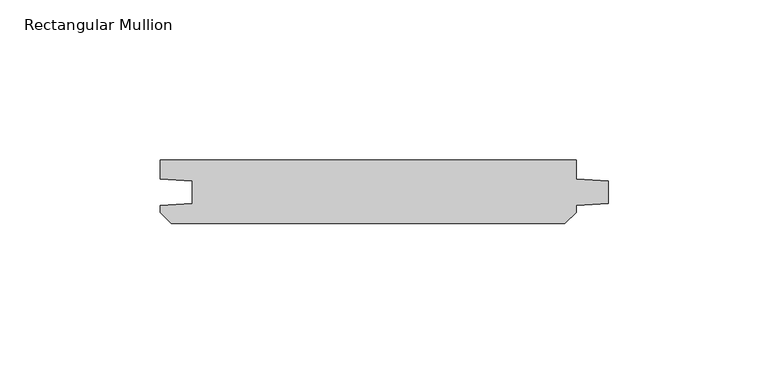
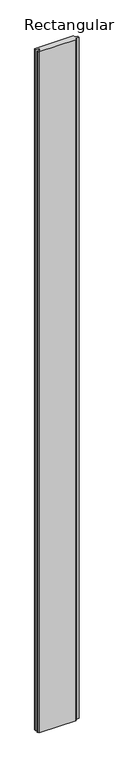
"""IFC4 building model written with IfcOpenShell, lengths in millimetres: member geometry, Rectangular Mullion."""

from ifc_helpers import new_model, si_unit, frame, origin, place, context, project, spatial, polyline, outline, extrude, source, transform, mapped, element, save


def rectangular_mullion_4082884c(model_context):
    return source(origin(), model_context, "Body", "SweptSolid", [
        extrude(outline(polyline([(-10.0, 0.0), (-10.0, -5.9651903), (0.0, -6.6644584), (0.0, -13.6642442), (-10.0, -14.3635124), (-10.0, -16.5283124), (-13.4716876, -20.0), (-136.5283124, -20.0), (-140.0, -16.5283124), (-140.0, -14.3635124), (-130.0, -13.6642442), (-130.0, -6.6644584), (-140.0, -5.9651903), (-140.0, 0.0), (-10.0, 0.0)])), frame((0.0, 0.0, -2400.0), z_axis=(0.0, 0.0, 1.0), x_axis=(1.0, 0.0, 0.0)), (0.0, 0.0, 1.0), 2400.0),
    ])


if __name__ == "__main__":
    model = new_model("IFC4")
    model_context = context("Model", 3, world=origin())
    ifc_project = project(units=[si_unit("LENGTHUNIT", "METRE", prefix="MILLI")], contexts=[model_context])
    site = spatial("IfcSite", under=ifc_project)
    building = spatial("IfcBuilding", under=site)
    placement = place(None, origin())
    rectangular_mullion_shape = rectangular_mullion_4082884c(model_context)
    element("IfcMember", 1, ObjectType="Rectangular Mullion", at=placement, inside=building, context=model_context, shape_type="MappedRepresentation", body=[
        mapped(rectangular_mullion_shape, transform((0.0, 0.0, 0.0), x_axis=(1.0, 0.0, 0.0), y_axis=(0.0, 1.0, 0.0), z_axis=(0.0, 0.0, 1.0))),
    ])
    save(model, "model.ifc")
